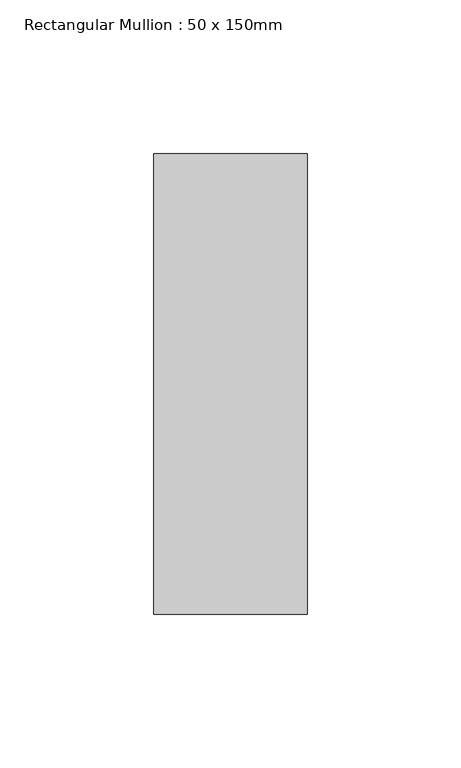
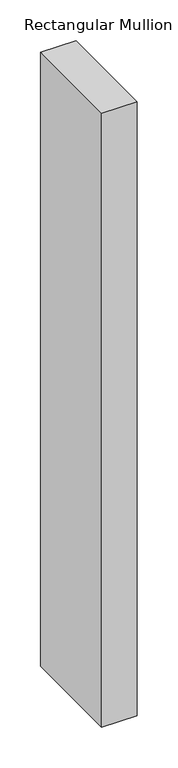
"""IFC4 building model written with IfcOpenShell, lengths in millimetres: member geometry, Rectangular Mullion : 50 x 150mm."""

import ifcopenshell
import ifcopenshell.guid

model = None  # the IFC model being written
_history = None  # IfcOwnerHistory: only IFC2X3 demands one
_inside = {}  # id of a spatial element -> (the spatial element, [elements in it])
_under = {}  # id of a project, library or spatial element -> (it, [spatial elements below it])
_declared = {}  # id of a project -> (the project, [libraries it declares])
_typed = {}  # id of a type object -> (the type object, [elements of that type])
_made_of = {}  # id of a material, layer set ... -> (it, [elements and type objects made of it])


def new_model(schema):
    """Start an empty IFC model of exactly this schema.

    Asked for "IFC4X3", IfcOpenShell would pick the latest addendum, in which some entities
    have other attributes; the version numbers below select the first issue.
    IFC2X3 requires an IfcOwnerHistory on every rooted entity: one is made here for all.
    """
    global model, _history
    if schema == "IFC4X3":
        model = ifcopenshell.file(schema_version=(4, 3, 0, 0))
    else:
        model = ifcopenshell.file(schema=schema)
    _inside.clear()
    _under.clear()
    _declared.clear()
    _typed.clear()
    _made_of.clear()
    _history = None
    if model.schema == "IFC2X3":
        org = make("IfcOrganization", Name="unknown")
        user = make(
            "IfcPersonAndOrganization",
            ThePerson=make("IfcPerson", FamilyName="unknown"),
            TheOrganization=org,
        )
        app = make(
            "IfcApplication",
            ApplicationDeveloper=org,
            Version="unknown",
            ApplicationFullName="unknown",
            ApplicationIdentifier="unknown",
        )
        _history = make(
            "IfcOwnerHistory",
            OwningUser=user,
            OwningApplication=app,
            ChangeAction="ADDED",
            CreationDate=0,
        )
    return model


def make(cls, **values):
    """One entity of the class cls with the attributes given. An attribute that is None is left unset."""
    return model.create_entity(
        cls, **{name: value for name, value in values.items() if value is not None}
    )


def rooted(cls, **values):
    """An entity with a GlobalId (a new one), such as an element, a storey or a relation."""
    return make(cls, GlobalId=ifcopenshell.guid.new(), OwnerHistory=_history, **values)


def si_unit(unit_type, name, prefix=None):
    """IfcSIUnit, for example si_unit("LENGTHUNIT", "METRE", prefix="MILLI")."""
    return make("IfcSIUnit", UnitType=unit_type, Prefix=prefix, Name=name)


def assignment(units):
    """IfcUnitAssignment: the units of a project."""
    return None if units is None else make("IfcUnitAssignment", Units=units)


def point(xyz):
    """IfcCartesianPoint."""
    return None if xyz is None else make("IfcCartesianPoint", Coordinates=xyz)


def direction(xyz):
    """IfcDirection."""
    return None if xyz is None else make("IfcDirection", DirectionRatios=xyz)


def frame(location, z_axis=None, x_axis=None):
    """IfcAxis2Placement3D, a coordinate frame: its origin and axes. An axis left out is left unset."""
    return make(
        "IfcAxis2Placement3D",
        Location=point(location),
        Axis=direction(z_axis),
        RefDirection=direction(x_axis),
    )


def origin():
    """The frame at (0, 0, 0) with its axes left unset."""
    return frame((0.0, 0.0, 0.0))


def place(relative_to, where):
    """IfcLocalPlacement: puts the frame where relative to a parent placement (None: the world)."""
    return make(
        "IfcLocalPlacement", PlacementRelTo=relative_to, RelativePlacement=where
    )


def context(
    kind, dimensions, precision=None, world=None, true_north=None, identifier=None
):
    """IfcGeometricRepresentationContext, for example the 3D "Model" context."""
    return make(
        "IfcGeometricRepresentationContext",
        ContextIdentifier=identifier,
        ContextType=kind,
        CoordinateSpaceDimension=dimensions,
        Precision=precision,
        WorldCoordinateSystem=world,
        TrueNorth=true_north,
    )


def project(units=None, contexts=None):
    """IfcProject with its units and contexts."""
    return rooted(
        "IfcProject",
        Name="project",
        RepresentationContexts=contexts,
        UnitsInContext=assignment(units),
    )


def spatial(cls, under=None, at=None, **own):
    """A site, building, storey or space (cls), placed at a placement, below another one or the project."""
    s = rooted(cls, ObjectPlacement=at, **own)
    if under is not None:
        _under.setdefault(under.id(), (under, []))[1].append(s)
    return s


def polyline(points):
    """IfcPolyline through the points."""
    return make("IfcPolyline", Points=[point(p) for p in points])


def outline(outer, holes=None, kind="AREA"):
    """IfcArbitraryClosedProfileDef: a profile drawn as a closed curve; with holes, ...WithVoids."""
    if holes is None:
        return make("IfcArbitraryClosedProfileDef", ProfileType=kind, OuterCurve=outer)
    return make(
        "IfcArbitraryProfileDefWithVoids",
        ProfileType=kind,
        OuterCurve=outer,
        InnerCurves=holes,
    )


def extrude(swept, where, along, depth):
    """IfcExtrudedAreaSolid: the profile swept, set in the frame where, extruded along a direction by depth."""
    return make(
        "IfcExtrudedAreaSolid",
        SweptArea=swept,
        Position=where,
        ExtrudedDirection=direction(along),
        Depth=depth,
    )


def shape(context_of_items, identifier, shape_type, items):
    """IfcShapeRepresentation: the items that make up one representation, for example the "Body"."""
    return make(
        "IfcShapeRepresentation",
        ContextOfItems=context_of_items,
        RepresentationIdentifier=identifier,
        RepresentationType=shape_type,
        Items=items,
    )


def source(mapping_origin, context_of_items, identifier, shape_type, items):
    """IfcRepresentationMap: a shape defined once, which mapped items show again and again."""
    return make(
        "IfcRepresentationMap",
        MappingOrigin=mapping_origin,
        MappedRepresentation=shape(context_of_items, identifier, shape_type, items),
    )


def transform(
    local_origin,
    x_axis=None,
    y_axis=None,
    z_axis=None,
    scale=None,
    scale2=None,
    scale3=None,
    uniform=True,
):
    """IfcCartesianTransformationOperator3D, or its non-uniform kind. x_axis, y_axis, z_axis: its Axis1, 2, 3."""
    if uniform:
        return make(
            "IfcCartesianTransformationOperator3D",
            Axis1=direction(x_axis),
            Axis2=direction(y_axis),
            LocalOrigin=point(local_origin),
            Scale=scale,
            Axis3=direction(z_axis),
        )
    return make(
        "IfcCartesianTransformationOperator3DnonUniform",
        Axis1=direction(x_axis),
        Axis2=direction(y_axis),
        LocalOrigin=point(local_origin),
        Scale=scale,
        Axis3=direction(z_axis),
        Scale2=scale2,
        Scale3=scale3,
    )


def mapped(mapping_source, mapping_target):
    """IfcMappedItem: shows the shape of a source again, moved by a transform."""
    return make(
        "IfcMappedItem", MappingSource=mapping_source, MappingTarget=mapping_target
    )


def made_of(thing, what):
    """Note that an element or type object is made of a material, layer set ...; save() writes the relation."""
    if what is not None:
        _made_of.setdefault(what.id(), (what, []))[1].append(thing)
    return thing


def element(
    cls,
    number,
    at=None,
    inside=None,
    cuts=None,
    type_object=None,
    material=None,
    context=None,
    identifier="Body",
    shape_type=None,
    held_by="IfcProductDefinitionShape",
    body=None,
    shapes=None,
    **own,
):
    """One element of the class cls, such as IfcWall. Its Tag is "e" and its number.

    at: its placement. inside: the storey or other place that contains it. cuts: it is an
    opening in that element (IfcRelVoidsElement). A single representation is given by context,
    identifier, shape_type and body (its items); several are given by shapes. held_by: the class
    of the entity that holds the representations. save() writes the other relations.
    """
    e = rooted(cls, Tag="e%d" % number, ObjectPlacement=at, **own)
    if body is not None:
        shapes = [shape(context, identifier, shape_type, body)]
    if shapes is not None:
        e.Representation = make(held_by, Representations=shapes)
    if inside is not None:
        _inside.setdefault(inside.id(), (inside, []))[1].append(e)
    if cuts is not None:
        rooted(
            "IfcRelVoidsElement", RelatingBuildingElement=cuts, RelatedOpeningElement=e
        )
    if type_object is not None:
        _typed.setdefault(type_object.id(), (type_object, []))[1].append(e)
    return made_of(e, material)


def aggregate(whole, parts):
    """IfcRelAggregates: a whole, such as a stair, and the parts it consists of."""
    return rooted("IfcRelAggregates", RelatingObject=whole, RelatedObjects=parts)


def save(model, path):
    """Write the relations noted so far, then the file.

    IfcRelAggregates (storeys below a building ...), IfcRelContainedInSpatialStructure (elements
    in a storey), IfcRelDefinesByType, IfcRelAssociatesMaterial and IfcRelDeclares: one each for
    every whole, place, type object, material and project.
    """
    for whole, parts in _under.values():
        aggregate(whole, parts)
    for where, things in _inside.values():
        rooted(
            "IfcRelContainedInSpatialStructure",
            RelatedElements=things,
            RelatingStructure=where,
        )
    for kind, things in _typed.values():
        rooted("IfcRelDefinesByType", RelatedObjects=things, RelatingType=kind)
    for what, things in _made_of.values():
        rooted("IfcRelAssociatesMaterial", RelatedObjects=things, RelatingMaterial=what)
    for by, libraries in _declared.values():
        rooted("IfcRelDeclares", RelatingContext=by, RelatedDefinitions=libraries)
    model.write(path)


def rectangular_mullion_50_x_150mm_aad1dd03(model_context):
    return source(origin(), model_context, "Body", "SweptSolid", [
        extrude(outline(polyline([(25.0, 75.0), (25.0, -75.0), (-25.0, -75.0), (-25.0, 75.0), (25.0, 75.0)])), frame((0.0, 0.0, -918.5281502), z_axis=(0.0, 0.0, 1.0), x_axis=(1.0, 0.0, 0.0)), (0.0, 0.0, 1.0), 918.5281502),
    ])


if __name__ == "__main__":
    model = new_model("IFC4")
    model_context = context("Model", 3, world=origin())
    ifc_project = project(units=[si_unit("LENGTHUNIT", "METRE", prefix="MILLI")], contexts=[model_context])
    site = spatial("IfcSite", under=ifc_project)
    building = spatial("IfcBuilding", under=site)
    placement = place(None, origin())
    rectangular_mullion_50_x_150mm_shape = rectangular_mullion_50_x_150mm_aad1dd03(model_context)
    element("IfcMember", 1, ObjectType="Rectangular Mullion : 50 x 150mm", at=placement, inside=building, context=model_context, shape_type="MappedRepresentation", body=[
        mapped(rectangular_mullion_50_x_150mm_shape, transform((0.0, 0.0, 0.0), x_axis=(1.0, 0.0, 0.0), y_axis=(0.0, 1.0, 0.0), z_axis=(0.0, 0.0, 1.0))),
    ])
    save(model, "model.ifc")
